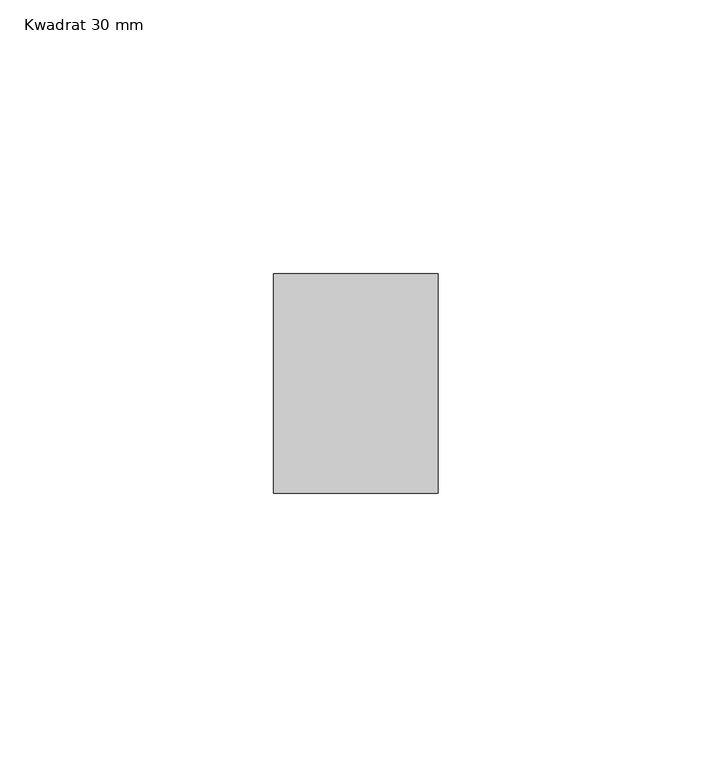
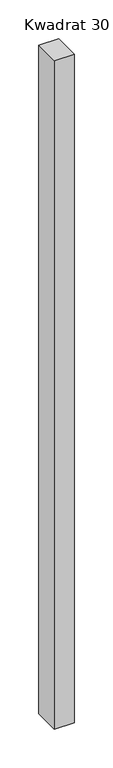
"""IFC4 building model written with IfcOpenShell, lengths in millimetres: member geometry, Kwadrat 30 mm."""

import ifcopenshell
import ifcopenshell.guid

model = None  # the IFC model being written
_history = None  # IfcOwnerHistory: only IFC2X3 demands one
_inside = {}  # id of a spatial element -> (the spatial element, [elements in it])
_under = {}  # id of a project, library or spatial element -> (it, [spatial elements below it])
_declared = {}  # id of a project -> (the project, [libraries it declares])
_typed = {}  # id of a type object -> (the type object, [elements of that type])
_made_of = {}  # id of a material, layer set ... -> (it, [elements and type objects made of it])


def new_model(schema):
    """Start an empty IFC model of exactly this schema.

    Asked for "IFC4X3", IfcOpenShell would pick the latest addendum, in which some entities
    have other attributes; the version numbers below select the first issue.
    IFC2X3 requires an IfcOwnerHistory on every rooted entity: one is made here for all.
    """
    global model, _history
    if schema == "IFC4X3":
        model = ifcopenshell.file(schema_version=(4, 3, 0, 0))
    else:
        model = ifcopenshell.file(schema=schema)
    _inside.clear()
    _under.clear()
    _declared.clear()
    _typed.clear()
    _made_of.clear()
    _history = None
    if model.schema == "IFC2X3":
        org = make("IfcOrganization", Name="unknown")
        user = make(
            "IfcPersonAndOrganization",
            ThePerson=make("IfcPerson", FamilyName="unknown"),
            TheOrganization=org,
        )
        app = make(
            "IfcApplication",
            ApplicationDeveloper=org,
            Version="unknown",
            ApplicationFullName="unknown",
            ApplicationIdentifier="unknown",
        )
        _history = make(
            "IfcOwnerHistory",
            OwningUser=user,
            OwningApplication=app,
            ChangeAction="ADDED",
            CreationDate=0,
        )
    return model


def make(cls, **values):
    """One entity of the class cls with the attributes given. An attribute that is None is left unset."""
    return model.create_entity(
        cls, **{name: value for name, value in values.items() if value is not None}
    )


def rooted(cls, **values):
    """An entity with a GlobalId (a new one), such as an element, a storey or a relation."""
    return make(cls, GlobalId=ifcopenshell.guid.new(), OwnerHistory=_history, **values)


def si_unit(unit_type, name, prefix=None):
    """IfcSIUnit, for example si_unit("LENGTHUNIT", "METRE", prefix="MILLI")."""
    return make("IfcSIUnit", UnitType=unit_type, Prefix=prefix, Name=name)


def assignment(units):
    """IfcUnitAssignment: the units of a project."""
    return None if units is None else make("IfcUnitAssignment", Units=units)


def point(xyz):
    """IfcCartesianPoint."""
    return None if xyz is None else make("IfcCartesianPoint", Coordinates=xyz)


def direction(xyz):
    """IfcDirection."""
    return None if xyz is None else make("IfcDirection", DirectionRatios=xyz)


def frame(location, z_axis=None, x_axis=None):
    """IfcAxis2Placement3D, a coordinate frame: its origin and axes. An axis left out is left unset."""
    return make(
        "IfcAxis2Placement3D",
        Location=point(location),
        Axis=direction(z_axis),
        RefDirection=direction(x_axis),
    )


def origin():
    """The frame at (0, 0, 0) with its axes left unset."""
    return frame((0.0, 0.0, 0.0))


def place(relative_to, where):
    """IfcLocalPlacement: puts the frame where relative to a parent placement (None: the world)."""
    return make(
        "IfcLocalPlacement", PlacementRelTo=relative_to, RelativePlacement=where
    )


def context(
    kind, dimensions, precision=None, world=None, true_north=None, identifier=None
):
    """IfcGeometricRepresentationContext, for example the 3D "Model" context."""
    return make(
        "IfcGeometricRepresentationContext",
        ContextIdentifier=identifier,
        ContextType=kind,
        CoordinateSpaceDimension=dimensions,
        Precision=precision,
        WorldCoordinateSystem=world,
        TrueNorth=true_north,
    )


def project(units=None, contexts=None):
    """IfcProject with its units and contexts."""
    return rooted(
        "IfcProject",
        Name="project",
        RepresentationContexts=contexts,
        UnitsInContext=assignment(units),
    )


def spatial(cls, under=None, at=None, **own):
    """A site, building, storey or space (cls), placed at a placement, below another one or the project."""
    s = rooted(cls, ObjectPlacement=at, **own)
    if under is not None:
        _under.setdefault(under.id(), (under, []))[1].append(s)
    return s


def polyline(points):
    """IfcPolyline through the points."""
    return make("IfcPolyline", Points=[point(p) for p in points])


def outline(outer, holes=None, kind="AREA"):
    """IfcArbitraryClosedProfileDef: a profile drawn as a closed curve; with holes, ...WithVoids."""
    if holes is None:
        return make("IfcArbitraryClosedProfileDef", ProfileType=kind, OuterCurve=outer)
    return make(
        "IfcArbitraryProfileDefWithVoids",
        ProfileType=kind,
        OuterCurve=outer,
        InnerCurves=holes,
    )


def extrude(swept, where, along, depth):
    """IfcExtrudedAreaSolid: the profile swept, set in the frame where, extruded along a direction by depth."""
    return make(
        "IfcExtrudedAreaSolid",
        SweptArea=swept,
        Position=where,
        ExtrudedDirection=direction(along),
        Depth=depth,
    )


def shape(context_of_items, identifier, shape_type, items):
    """IfcShapeRepresentation: the items that make up one representation, for example the "Body"."""
    return make(
        "IfcShapeRepresentation",
        ContextOfItems=context_of_items,
        RepresentationIdentifier=identifier,
        RepresentationType=shape_type,
        Items=items,
    )


def source(mapping_origin, context_of_items, identifier, shape_type, items):
    """IfcRepresentationMap: a shape defined once, which mapped items show again and again."""
    return make(
        "IfcRepresentationMap",
        MappingOrigin=mapping_origin,
        MappedRepresentation=shape(context_of_items, identifier, shape_type, items),
    )


def transform(
    local_origin,
    x_axis=None,
    y_axis=None,
    z_axis=None,
    scale=None,
    scale2=None,
    scale3=None,
    uniform=True,
):
    """IfcCartesianTransformationOperator3D, or its non-uniform kind. x_axis, y_axis, z_axis: its Axis1, 2, 3."""
    if uniform:
        return make(
            "IfcCartesianTransformationOperator3D",
            Axis1=direction(x_axis),
            Axis2=direction(y_axis),
            LocalOrigin=point(local_origin),
            Scale=scale,
            Axis3=direction(z_axis),
        )
    return make(
        "IfcCartesianTransformationOperator3DnonUniform",
        Axis1=direction(x_axis),
        Axis2=direction(y_axis),
        LocalOrigin=point(local_origin),
        Scale=scale,
        Axis3=direction(z_axis),
        Scale2=scale2,
        Scale3=scale3,
    )


def mapped(mapping_source, mapping_target):
    """IfcMappedItem: shows the shape of a source again, moved by a transform."""
    return make(
        "IfcMappedItem", MappingSource=mapping_source, MappingTarget=mapping_target
    )


def made_of(thing, what):
    """Note that an element or type object is made of a material, layer set ...; save() writes the relation."""
    if what is not None:
        _made_of.setdefault(what.id(), (what, []))[1].append(thing)
    return thing


def element(
    cls,
    number,
    at=None,
    inside=None,
    cuts=None,
    type_object=None,
    material=None,
    context=None,
    identifier="Body",
    shape_type=None,
    held_by="IfcProductDefinitionShape",
    body=None,
    shapes=None,
    **own,
):
    """One element of the class cls, such as IfcWall. Its Tag is "e" and its number.

    at: its placement. inside: the storey or other place that contains it. cuts: it is an
    opening in that element (IfcRelVoidsElement). A single representation is given by context,
    identifier, shape_type and body (its items); several are given by shapes. held_by: the class
    of the entity that holds the representations. save() writes the other relations.
    """
    e = rooted(cls, Tag="e%d" % number, ObjectPlacement=at, **own)
    if body is not None:
        shapes = [shape(context, identifier, shape_type, body)]
    if shapes is not None:
        e.Representation = make(held_by, Representations=shapes)
    if inside is not None:
        _inside.setdefault(inside.id(), (inside, []))[1].append(e)
    if cuts is not None:
        rooted(
            "IfcRelVoidsElement", RelatingBuildingElement=cuts, RelatedOpeningElement=e
        )
    if type_object is not None:
        _typed.setdefault(type_object.id(), (type_object, []))[1].append(e)
    return made_of(e, material)


def aggregate(whole, parts):
    """IfcRelAggregates: a whole, such as a stair, and the parts it consists of."""
    return rooted("IfcRelAggregates", RelatingObject=whole, RelatedObjects=parts)


def save(model, path):
    """Write the relations noted so far, then the file.

    IfcRelAggregates (storeys below a building ...), IfcRelContainedInSpatialStructure (elements
    in a storey), IfcRelDefinesByType, IfcRelAssociatesMaterial and IfcRelDeclares: one each for
    every whole, place, type object, material and project.
    """
    for whole, parts in _under.values():
        aggregate(whole, parts)
    for where, things in _inside.values():
        rooted(
            "IfcRelContainedInSpatialStructure",
            RelatedElements=things,
            RelatingStructure=where,
        )
    for kind, things in _typed.values():
        rooted("IfcRelDefinesByType", RelatedObjects=things, RelatingType=kind)
    for what, things in _made_of.values():
        rooted("IfcRelAssociatesMaterial", RelatedObjects=things, RelatingMaterial=what)
    for by, libraries in _declared.values():
        rooted("IfcRelDeclares", RelatingContext=by, RelatedDefinitions=libraries)
    model.write(path)


def kwadrat_30_mm_b71b6ea3(model_context):
    return source(origin(), model_context, "Body", "SweptSolid", [
        extrude(outline(polyline([(0.0, 20.0), (0.0, -20.0), (-30.0, -20.0), (-30.0, 20.0), (0.0, 20.0)])), frame((0.0, 0.0, -1055.0), z_axis=(0.0, 0.0, 1.0), x_axis=(1.0, 0.0, 0.0)), (0.0, 0.0, 1.0), 1055.0),
    ])


if __name__ == "__main__":
    model = new_model("IFC4")
    model_context = context("Model", 3, world=origin())
    ifc_project = project(units=[si_unit("LENGTHUNIT", "METRE", prefix="MILLI")], contexts=[model_context])
    site = spatial("IfcSite", under=ifc_project)
    building = spatial("IfcBuilding", under=site)
    placement = place(None, origin())
    kwadrat_30_mm_shape = kwadrat_30_mm_b71b6ea3(model_context)
    element("IfcMember", 1, ObjectType="Kwadrat 30 mm", at=placement, inside=building, context=model_context, shape_type="MappedRepresentation", body=[
        mapped(kwadrat_30_mm_shape, transform((0.0, 0.0, 0.0), x_axis=(1.0, 0.0, 0.0), y_axis=(0.0, 1.0, 0.0), z_axis=(0.0, 0.0, 1.0))),
    ])
    save(model, "model.ifc")
